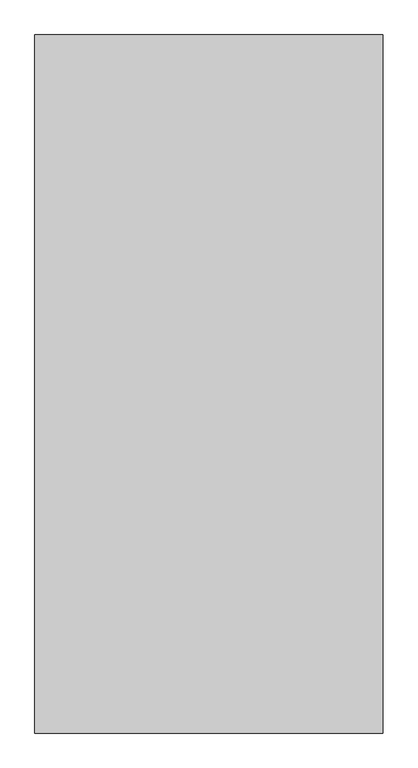
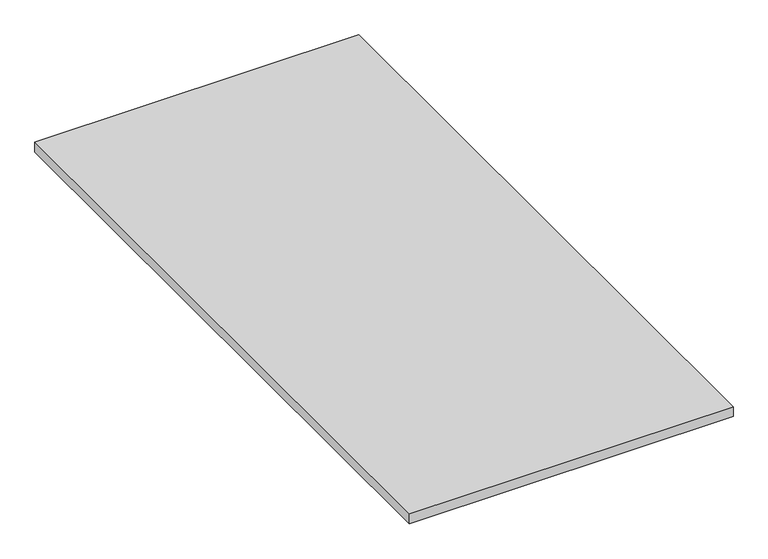
"""IFC4 building model written with IfcOpenShell, lengths in millimetres: furniture geometry."""

from ifc_helpers import new_model, si_unit, frame, origin, place, context, project, spatial, polyline, outline, extrude, source, transform, mapped, element, save


def furniture_56599dbf(model_context):
    return source(origin(), model_context, "Body", "SweptSolid", [
        extrude(outline(polyline([(-49.8825985, 284.1486437), (-49.8825985, -1543.1273563), (-961.2345985, -1543.1273563), (-961.2345985, 284.1486437), (-49.8825985, 284.1486437)])), frame((0.0, 0.0, 707.009), z_axis=(0.0, 0.0, 1.0), x_axis=(1.0, 0.0, 0.0)), (0.0, 0.0, 1.0), 29.591),
    ])


if __name__ == "__main__":
    model = new_model("IFC4")
    model_context = context("Model", 3, world=origin())
    ifc_project = project(units=[si_unit("LENGTHUNIT", "METRE", prefix="MILLI")], contexts=[model_context])
    site = spatial("IfcSite", under=ifc_project)
    building = spatial("IfcBuilding", under=site)
    placement = place(None, origin())
    furniture_shape = furniture_56599dbf(model_context)
    element("IfcFurniture", 1, at=placement, inside=building, context=model_context, shape_type="MappedRepresentation", body=[
        mapped(furniture_shape, transform((0.0, 0.0, 0.0), x_axis=(1.0, 0.0, 0.0), y_axis=(0.0, 1.0, 0.0), z_axis=(0.0, 0.0, 1.0))),
    ])
    save(model, "model.ifc")
